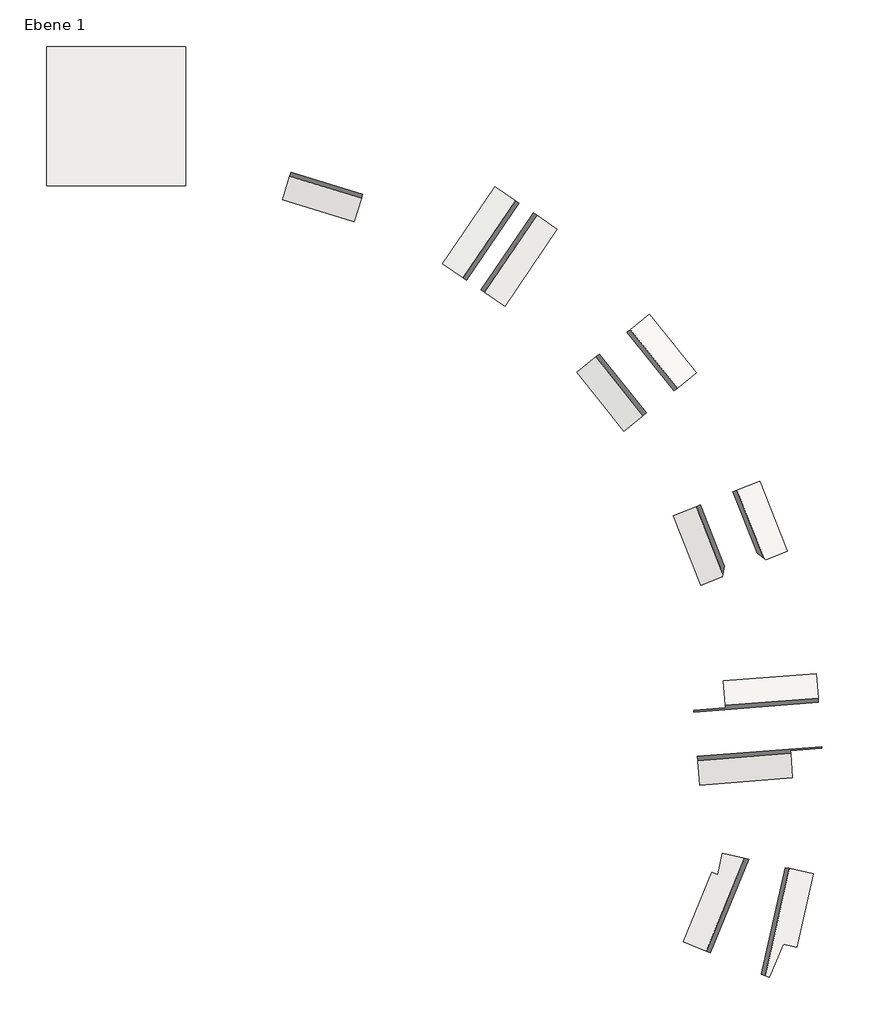
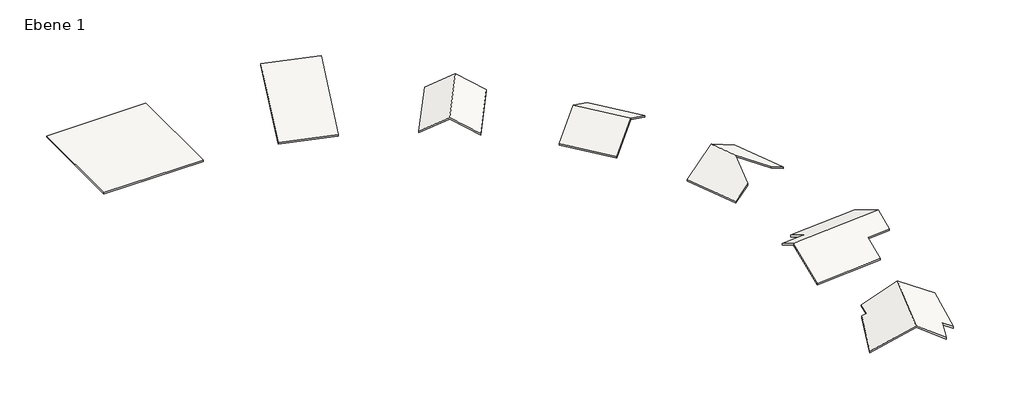
# One storey: 7 roofs.
"""IFC4 building model written with IfcOpenShell, lengths in millimetres."""

from ifc_helpers import new_model, si_unit, frame, origin, origin_with_axes, place, context, project, spatial, polyline, outline, extrude, faceted_brep, element, save

model = new_model("IFC4")

# Units and contexts
model_context = context("Model", 3, world=origin())
ifc_project = project(units=[si_unit("LENGTHUNIT", "METRE", prefix="MILLI")], contexts=[model_context])

# Site, building, storey
site = spatial("IfcSite", under=ifc_project)
building = spatial("IfcBuilding", under=site)
storey = spatial("IfcBuildingStorey", under=building, Name="Ebene 1", Elevation=0.0)

# Roofs
placement = place(None, origin())
element("IfcRoof", 1, ObjectType="Dach 1", at=placement, inside=storey, context=model_context, shape_type="SweptSolid", body=[
    extrude(outline(polyline([(-6111.3493741, 7594.2638025), (3888.6506259, 7594.2638025), (3888.6506259, -2405.7361975), (-6111.3493741, -2405.7361975), (-6111.3493741, 7594.2638025)])), origin_with_axes(), (0.0, 0.0, 1.0), 152.4),
])
element("IfcRoof", 2, ObjectType="Dach 1", at=placement, inside=storey, context=model_context, shape_type="SweptSolid", body=[
    extrude(outline(polyline([(6700.0, -4044.2231656), (0.0, -175.976362), (0.0, 0.0), (6700.0, -3868.2468036), (6700.0, -4044.2231656)])), frame((16019.0742905, -5010.9443247, 0.0), z_axis=(-0.9557359749173996, 0.29422567231410657, 0.0), x_axis=(0.29422567231410657, 0.9557359749173996, 0.0)), (0.0, 0.0, 1.0), 5400.0),
])
element("IfcRoof", 3, ObjectType="Dach 1", at=placement, inside=storey, context=model_context, shape_type="SweptSolid", body=[
    extrude(outline(polyline([(5400.0000001, -175.976362), (2700.0, -1734.8220889), (0.0, -175.976362), (0.0, 0.0), (2700.0, -1558.8457268), (5400.0000001, 0.0), (5400.0000001, -175.976362)])), frame((22380.9799245, -8032.9352666, 0.0), z_axis=(0.5624041195496903, 0.8268625075026306, 0.0), x_axis=(0.8268625075026306, -0.5624041195496903, 0.0)), (0.0, 0.0, 1.0), 6700.0),
])
element("IfcRoof", 4, ObjectType="Dach 1", at=placement, inside=storey, context=model_context, shape_type="SweptSolid", body=[
    extrude(outline(polyline([(6700.0, -175.976362), (3350.0, -2110.0997638), (0.0, -175.976362), (0.0, 0.0), (3350.0, -1934.1234018), (6700.0, 0.0), (6700.0, -175.976362)])), frame((35411.0502104, -20046.2666777, 0.0), z_axis=(-0.6247885145439513, 0.7807940266766664, 0.0), x_axis=(0.7807940266766664, 0.6247885145439513, 0.0)), (0.0, 0.0, 1.0), 5400.0),
])
element("IfcRoof", 5, ObjectType="Dach 1", at=placement, inside=storey, context=model_context, shape_type="Brep", body=[
    faceted_brep([(47187.2824476, -28683.7316074, 175.976362), (45629.4289979, -29299.1319885, 1143.0380629), (45629.4289979, -29299.1319885, 967.0617009), (47187.2824476, -28683.7316074, 0.0), (43079.5868741, -27403.3656149, 2110.0997638), (43079.5868741, -27403.3656149, 1934.1234018), (42513.7220984, -30529.9327508, 1143.0380629), (42513.7220984, -30529.9327508, 967.0617009), (40955.8686487, -31145.333132, 175.976362), (40955.8686487, -31145.333132, 0.0), (42087.5982, -24892.1988601, 1934.1234018), (45203.3050994, -23661.3980978, 0.0), (38971.8913005, -26122.9996224, 0.0), (45203.3050994, -23661.3980978, 175.976362), (42087.5982, -24892.1988601, 2110.0997638), (38971.8913005, -26122.9996224, 175.976362)], [[[0, 1, 2, 3]], [[1, 4, 5, 2]], [[4, 6, 7, 5]], [[6, 8, 9, 7]], [[10, 11, 3, 2, 5]], [[9, 12, 10, 5, 7]], [[13, 14, 4, 1, 0]], [[15, 8, 6, 4, 14]], [[9, 8, 15, 12]], [[11, 13, 0, 3]], [[15, 14, 13, 11, 10, 12]]]),
])
element("IfcRoof", 6, ObjectType="Dach 1", at=placement, inside=storey, context=model_context, shape_type="Brep", body=[
    faceted_brep([(42722.3149843, -39945.4660068, 1302.1299088), (42571.1617433, -38000.7762809, 175.976362), (42571.1617433, -38000.7762809, 0.0), (42722.3149843, -39945.4660068, 1126.1535467), (49669.4735207, -42865.3389447, 1302.1299088), (47396.9999361, -43041.9695623, 1302.1299088), (47396.9999361, -43041.9695623, 1126.1535467), (49669.4735207, -42865.3389447, 1126.1535467), (49251.0144491, -37481.5770624, 0.0), (49535.8206054, -41145.8028665, 2121.9225002), (40583.494315, -41841.6327026, 2121.9225002), (40449.8413997, -40122.0966244, 1126.1535467), (47548.1531772, -44986.6592882, 0.0), (40868.3004713, -45505.8585067, 0.0), (49251.0144491, -37481.5770624, 175.976362), (40449.8413997, -40122.0966244, 1302.1299088), (40583.494315, -41841.6327026, 2297.8988622), (49535.8206054, -41145.8028665, 2297.8988622), (40868.3004713, -45505.8585067, 175.976362), (47548.1531772, -44986.6592882, 175.976362)], [[[0, 1, 2, 3]], [[4, 5, 6, 7]], [[2, 8, 9, 10, 11, 3]], [[9, 7, 6, 12, 13, 10]], [[14, 1, 0, 15, 16, 17]], [[4, 17, 16, 18, 19, 5]], [[2, 1, 14, 8]], [[12, 19, 18, 13]], [[14, 17, 4, 7, 9, 8]], [[5, 19, 12, 6]], [[15, 0, 3, 11]], [[18, 16, 15, 11, 10, 13]]]),
])
element("IfcRoof", 7, ObjectType="Dach 1", at=placement, inside=storey, context=model_context, shape_type="Brep", body=[
    faceted_brep([(42170.7019954, -51949.8013691, 433.6163962), (42516.3671659, -50411.7925013, 279.4131914), (42516.3671659, -50411.7925013, 103.4368293), (42170.7019954, -51949.8013691, 257.6400341), (47869.1998726, -57149.5355964, 175.976362), (46881.9765669, -56927.6586492, 760.1678931), (46881.9765669, -56927.6586492, 584.1915311), (47869.1998726, -57149.5355964, 0.0), (45720.6005457, -51131.9391149, 1972.1347554), (49053.3044432, -51880.9592834, 0.0), (45892.0447642, -59326.8639096, 838.0782469), (43448.5587662, -58318.6615108, 2342.1301742), (39698.5424333, -56771.3739612, 0.0), (41758.1910484, -51779.5959631, 0.0), (49053.3044432, -51880.9592834, 175.976362), (45720.6005457, -51131.9391149, 2148.1111175), (43448.5587662, -58318.6615108, 2518.1065363), (45892.0447642, -59326.8639096, 1014.054609), (41758.1910484, -51779.5959631, 175.976362), (39698.5424333, -56771.3739612, 175.976362)], [[[0, 1, 2, 3]], [[4, 5, 6, 7]], [[8, 9, 7, 6, 10, 11]], [[3, 2, 8, 11, 12, 13]], [[14, 15, 16, 17, 5, 4]], [[1, 0, 18, 19, 16, 15]], [[12, 19, 18, 13]], [[9, 14, 4, 7]], [[1, 15, 14, 9, 8, 2]], [[5, 17, 10, 6]], [[18, 0, 3, 13]], [[17, 16, 19, 12, 11, 10]]]),
])

save(model, "model.ifc")
